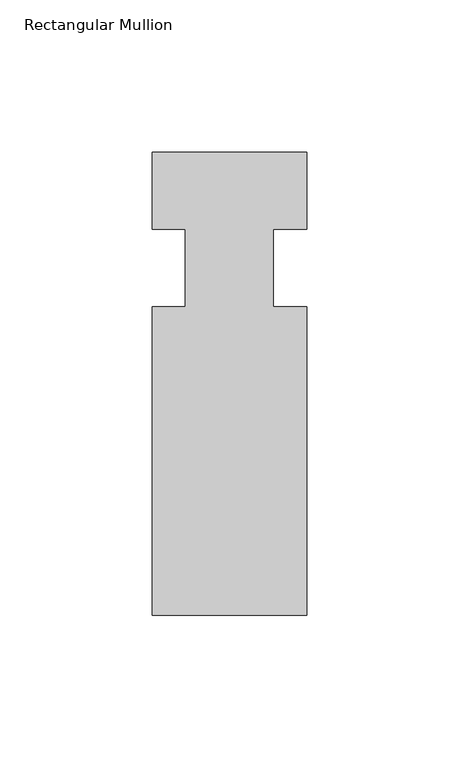
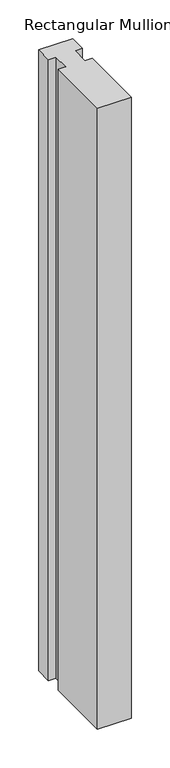
"""IFC4 building model written with IfcOpenShell, lengths in millimetres: member geometry, Rectangular Mullion."""

from ifc_helpers import new_model, si_unit, frame, origin, place, context, project, spatial, polyline, outline, extrude, source, transform, mapped, element, save


def rectangular_mullion_9299cd79(model_context):
    return source(origin(), model_context, "Body", "SweptSolid", [
        extrude(outline(polyline([(25.4, 0.0), (25.4, -25.4), (14.398625, -25.4), (14.398625, -50.8), (25.4, -50.8), (25.4, -152.4), (-25.4, -152.4), (-25.4, -50.8), (-14.398625, -50.8), (-14.398625, -25.4), (-25.4, -25.4), (-25.4, 0.0), (25.4, 0.0)])), frame((0.0, 0.0, -982.1335236), z_axis=(0.0, 0.0, 1.0), x_axis=(1.0, 0.0, 0.0)), (0.0, 0.0, 1.0), 982.1335236),
    ])


if __name__ == "__main__":
    model = new_model("IFC4")
    model_context = context("Model", 3, world=origin())
    ifc_project = project(units=[si_unit("LENGTHUNIT", "METRE", prefix="MILLI")], contexts=[model_context])
    site = spatial("IfcSite", under=ifc_project)
    building = spatial("IfcBuilding", under=site)
    placement = place(None, origin())
    rectangular_mullion_shape = rectangular_mullion_9299cd79(model_context)
    element("IfcMember", 1, ObjectType="Rectangular Mullion", at=placement, inside=building, context=model_context, shape_type="MappedRepresentation", body=[
        mapped(rectangular_mullion_shape, transform((0.0, 0.0, 0.0), x_axis=(1.0, 0.0, 0.0), y_axis=(0.0, 1.0, 0.0), z_axis=(0.0, 0.0, 1.0))),
    ])
    save(model, "model.ifc")
